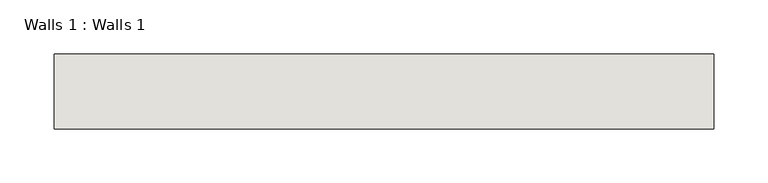
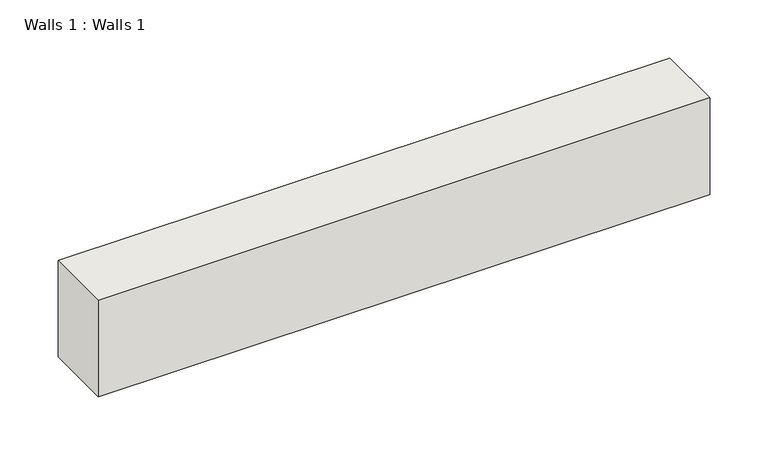
"""IFC4 building model written with IfcOpenShell, lengths in millimetres: wall geometry, Walls 1 : Walls 1."""

from ifc_helpers import new_model, si_unit, frame, origin, place, context, project, spatial, polyline, outline, extrude, source, transform, mapped, element, save


def walls_1_walls_1_c9eae500(model_context):
    return source(origin(), model_context, "Body", "SweptSolid", [
        extrude(outline(polyline([(3240.8210028, -6584.8408634), (3240.8210028, -6654.0991309), (2632.2640738, -6654.0991309), (2632.2640738, -6584.8408634), (3240.8210028, -6584.8408634)])), frame((0.0, 0.0, 889.0), z_axis=(0.0, 0.0, 1.0), x_axis=(1.0, 0.0, 0.0)), (0.0, 0.0, 1.0), 101.6),
    ])


if __name__ == "__main__":
    model = new_model("IFC4")
    model_context = context("Model", 3, world=origin())
    ifc_project = project(units=[si_unit("LENGTHUNIT", "METRE", prefix="MILLI")], contexts=[model_context])
    site = spatial("IfcSite", under=ifc_project)
    building = spatial("IfcBuilding", under=site)
    placement = place(None, origin())
    walls_1_walls_1_shape = walls_1_walls_1_c9eae500(model_context)
    element("IfcWall", 1, ObjectType="Walls 1 : Walls 1", at=placement, inside=building, context=model_context, shape_type="MappedRepresentation", body=[
        mapped(walls_1_walls_1_shape, transform((0.0, 0.0, 0.0), x_axis=(1.0, 0.0, 0.0), y_axis=(0.0, 1.0, 0.0), z_axis=(0.0, 0.0, 1.0))),
    ])
    save(model, "model.ifc")
